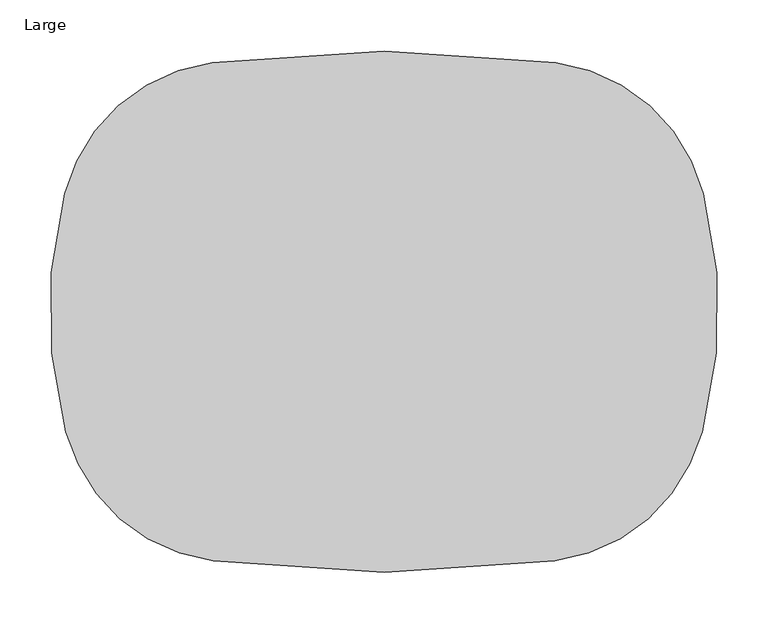
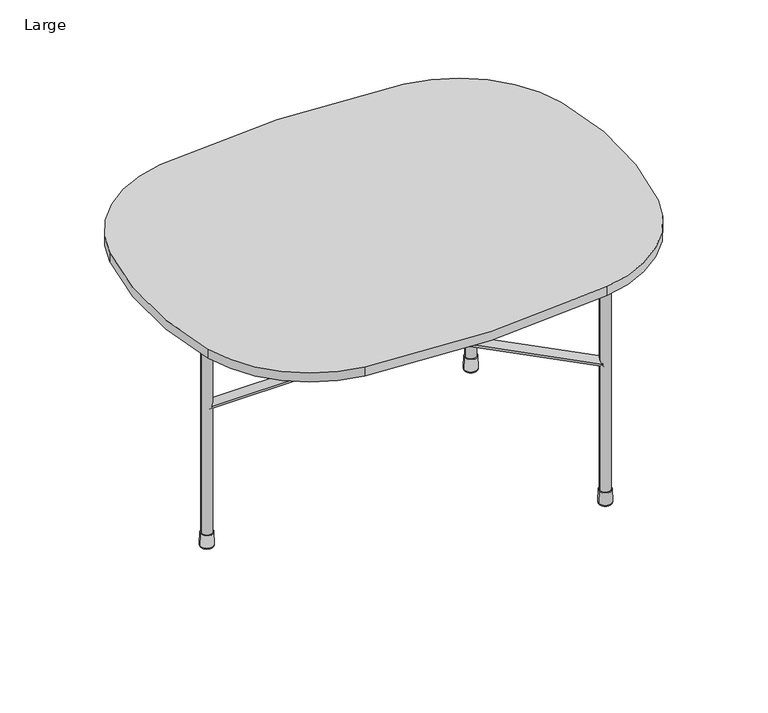
"""IFC4 building model written with IfcOpenShell, lengths in millimetres: furniture geometry, Large."""

import ifcopenshell
import ifcopenshell.guid

model = None  # the IFC model being written
_history = None  # IfcOwnerHistory: only IFC2X3 demands one
_inside = {}  # id of a spatial element -> (the spatial element, [elements in it])
_under = {}  # id of a project, library or spatial element -> (it, [spatial elements below it])
_declared = {}  # id of a project -> (the project, [libraries it declares])
_typed = {}  # id of a type object -> (the type object, [elements of that type])
_made_of = {}  # id of a material, layer set ... -> (it, [elements and type objects made of it])


def new_model(schema):
    """Start an empty IFC model of exactly this schema.

    Asked for "IFC4X3", IfcOpenShell would pick the latest addendum, in which some entities
    have other attributes; the version numbers below select the first issue.
    IFC2X3 requires an IfcOwnerHistory on every rooted entity: one is made here for all.
    """
    global model, _history
    if schema == "IFC4X3":
        model = ifcopenshell.file(schema_version=(4, 3, 0, 0))
    else:
        model = ifcopenshell.file(schema=schema)
    _inside.clear()
    _under.clear()
    _declared.clear()
    _typed.clear()
    _made_of.clear()
    _history = None
    if model.schema == "IFC2X3":
        org = make("IfcOrganization", Name="unknown")
        user = make(
            "IfcPersonAndOrganization",
            ThePerson=make("IfcPerson", FamilyName="unknown"),
            TheOrganization=org,
        )
        app = make(
            "IfcApplication",
            ApplicationDeveloper=org,
            Version="unknown",
            ApplicationFullName="unknown",
            ApplicationIdentifier="unknown",
        )
        _history = make(
            "IfcOwnerHistory",
            OwningUser=user,
            OwningApplication=app,
            ChangeAction="ADDED",
            CreationDate=0,
        )
    return model


def make(cls, **values):
    """One entity of the class cls with the attributes given. An attribute that is None is left unset."""
    return model.create_entity(
        cls, **{name: value for name, value in values.items() if value is not None}
    )


def rooted(cls, **values):
    """An entity with a GlobalId (a new one), such as an element, a storey or a relation."""
    return make(cls, GlobalId=ifcopenshell.guid.new(), OwnerHistory=_history, **values)


def si_unit(unit_type, name, prefix=None):
    """IfcSIUnit, for example si_unit("LENGTHUNIT", "METRE", prefix="MILLI")."""
    return make("IfcSIUnit", UnitType=unit_type, Prefix=prefix, Name=name)


def assignment(units):
    """IfcUnitAssignment: the units of a project."""
    return None if units is None else make("IfcUnitAssignment", Units=units)


def point(xyz):
    """IfcCartesianPoint."""
    return None if xyz is None else make("IfcCartesianPoint", Coordinates=xyz)


def direction(xyz):
    """IfcDirection."""
    return None if xyz is None else make("IfcDirection", DirectionRatios=xyz)


def frame(location, z_axis=None, x_axis=None):
    """IfcAxis2Placement3D, a coordinate frame: its origin and axes. An axis left out is left unset."""
    return make(
        "IfcAxis2Placement3D",
        Location=point(location),
        Axis=direction(z_axis),
        RefDirection=direction(x_axis),
    )


def frame_2d(location, x_axis=None):
    """IfcAxis2Placement2D, a coordinate frame in the plane: its origin and x axis."""
    return make(
        "IfcAxis2Placement2D", Location=point(location), RefDirection=direction(x_axis)
    )


def origin():
    """The frame at (0, 0, 0) with its axes left unset."""
    return frame((0.0, 0.0, 0.0))


def place(relative_to, where):
    """IfcLocalPlacement: puts the frame where relative to a parent placement (None: the world)."""
    return make(
        "IfcLocalPlacement", PlacementRelTo=relative_to, RelativePlacement=where
    )


def context(
    kind, dimensions, precision=None, world=None, true_north=None, identifier=None
):
    """IfcGeometricRepresentationContext, for example the 3D "Model" context."""
    return make(
        "IfcGeometricRepresentationContext",
        ContextIdentifier=identifier,
        ContextType=kind,
        CoordinateSpaceDimension=dimensions,
        Precision=precision,
        WorldCoordinateSystem=world,
        TrueNorth=true_north,
    )


def project(units=None, contexts=None):
    """IfcProject with its units and contexts."""
    return rooted(
        "IfcProject",
        Name="project",
        RepresentationContexts=contexts,
        UnitsInContext=assignment(units),
    )


def spatial(cls, under=None, at=None, **own):
    """A site, building, storey or space (cls), placed at a placement, below another one or the project."""
    s = rooted(cls, ObjectPlacement=at, **own)
    if under is not None:
        _under.setdefault(under.id(), (under, []))[1].append(s)
    return s


def polyline(points):
    """IfcPolyline through the points."""
    return make("IfcPolyline", Points=[point(p) for p in points])


def circle_curve(where, radius):
    """IfcCircle in the frame where."""
    return make("IfcCircle", Position=where, Radius=radius)


def ellipse_curve(where, semi_axis1, semi_axis2):
    """IfcEllipse in the frame where."""
    return make(
        "IfcEllipse", Position=where, SemiAxis1=semi_axis1, SemiAxis2=semi_axis2
    )


def trimmed(basis, trim1, trim2, sense, master):
    """IfcTrimmedCurve: the piece of a basis curve between two trims."""
    return make(
        "IfcTrimmedCurve",
        BasisCurve=basis,
        Trim1=trim1,
        Trim2=trim2,
        SenseAgreement=sense,
        MasterRepresentation=master,
    )


def segment(curve, same_sense, transition):
    """IfcCompositeCurveSegment."""
    return make(
        "IfcCompositeCurveSegment",
        Transition=transition,
        SameSense=same_sense,
        ParentCurve=curve,
    )


def composite_curve(segments, self_intersect=None):
    """IfcCompositeCurve: segments joined end to end."""
    return make("IfcCompositeCurve", Segments=segments, SelfIntersect=self_intersect)


def outline(outer, holes=None, kind="AREA"):
    """IfcArbitraryClosedProfileDef: a profile drawn as a closed curve; with holes, ...WithVoids."""
    if holes is None:
        return make("IfcArbitraryClosedProfileDef", ProfileType=kind, OuterCurve=outer)
    return make(
        "IfcArbitraryProfileDefWithVoids",
        ProfileType=kind,
        OuterCurve=outer,
        InnerCurves=holes,
    )


def extrude(swept, where, along, depth):
    """IfcExtrudedAreaSolid: the profile swept, set in the frame where, extruded along a direction by depth."""
    return make(
        "IfcExtrudedAreaSolid",
        SweptArea=swept,
        Position=where,
        ExtrudedDirection=direction(along),
        Depth=depth,
    )


def shape(context_of_items, identifier, shape_type, items):
    """IfcShapeRepresentation: the items that make up one representation, for example the "Body"."""
    return make(
        "IfcShapeRepresentation",
        ContextOfItems=context_of_items,
        RepresentationIdentifier=identifier,
        RepresentationType=shape_type,
        Items=items,
    )


def source(mapping_origin, context_of_items, identifier, shape_type, items):
    """IfcRepresentationMap: a shape defined once, which mapped items show again and again."""
    return make(
        "IfcRepresentationMap",
        MappingOrigin=mapping_origin,
        MappedRepresentation=shape(context_of_items, identifier, shape_type, items),
    )


def transform(
    local_origin,
    x_axis=None,
    y_axis=None,
    z_axis=None,
    scale=None,
    scale2=None,
    scale3=None,
    uniform=True,
):
    """IfcCartesianTransformationOperator3D, or its non-uniform kind. x_axis, y_axis, z_axis: its Axis1, 2, 3."""
    if uniform:
        return make(
            "IfcCartesianTransformationOperator3D",
            Axis1=direction(x_axis),
            Axis2=direction(y_axis),
            LocalOrigin=point(local_origin),
            Scale=scale,
            Axis3=direction(z_axis),
        )
    return make(
        "IfcCartesianTransformationOperator3DnonUniform",
        Axis1=direction(x_axis),
        Axis2=direction(y_axis),
        LocalOrigin=point(local_origin),
        Scale=scale,
        Axis3=direction(z_axis),
        Scale2=scale2,
        Scale3=scale3,
    )


def mapped(mapping_source, mapping_target):
    """IfcMappedItem: shows the shape of a source again, moved by a transform."""
    return make(
        "IfcMappedItem", MappingSource=mapping_source, MappingTarget=mapping_target
    )


def made_of(thing, what):
    """Note that an element or type object is made of a material, layer set ...; save() writes the relation."""
    if what is not None:
        _made_of.setdefault(what.id(), (what, []))[1].append(thing)
    return thing


def element(
    cls,
    number,
    at=None,
    inside=None,
    cuts=None,
    type_object=None,
    material=None,
    context=None,
    identifier="Body",
    shape_type=None,
    held_by="IfcProductDefinitionShape",
    body=None,
    shapes=None,
    **own,
):
    """One element of the class cls, such as IfcWall. Its Tag is "e" and its number.

    at: its placement. inside: the storey or other place that contains it. cuts: it is an
    opening in that element (IfcRelVoidsElement). A single representation is given by context,
    identifier, shape_type and body (its items); several are given by shapes. held_by: the class
    of the entity that holds the representations. save() writes the other relations.
    """
    e = rooted(cls, Tag="e%d" % number, ObjectPlacement=at, **own)
    if body is not None:
        shapes = [shape(context, identifier, shape_type, body)]
    if shapes is not None:
        e.Representation = make(held_by, Representations=shapes)
    if inside is not None:
        _inside.setdefault(inside.id(), (inside, []))[1].append(e)
    if cuts is not None:
        rooted(
            "IfcRelVoidsElement", RelatingBuildingElement=cuts, RelatedOpeningElement=e
        )
    if type_object is not None:
        _typed.setdefault(type_object.id(), (type_object, []))[1].append(e)
    return made_of(e, material)


def aggregate(whole, parts):
    """IfcRelAggregates: a whole, such as a stair, and the parts it consists of."""
    return rooted("IfcRelAggregates", RelatingObject=whole, RelatedObjects=parts)


def save(model, path):
    """Write the relations noted so far, then the file.

    IfcRelAggregates (storeys below a building ...), IfcRelContainedInSpatialStructure (elements
    in a storey), IfcRelDefinesByType, IfcRelAssociatesMaterial and IfcRelDeclares: one each for
    every whole, place, type object, material and project.
    """
    for whole, parts in _under.values():
        aggregate(whole, parts)
    for where, things in _inside.values():
        rooted(
            "IfcRelContainedInSpatialStructure",
            RelatedElements=things,
            RelatingStructure=where,
        )
    for kind, things in _typed.values():
        rooted("IfcRelDefinesByType", RelatedObjects=things, RelatingType=kind)
    for what, things in _made_of.values():
        rooted("IfcRelAssociatesMaterial", RelatedObjects=things, RelatingMaterial=what)
    for by, libraries in _declared.values():
        rooted("IfcRelDeclares", RelatingContext=by, RelatedDefinitions=libraries)
    model.write(path)


def plane_surface(at):
    """IfcPlane: the flat surface through the origin of the frame at, square to its z axis."""
    return make("IfcPlane", Position=at)


def revolved_surface(curve, axis_point, axis_direction):
    """IfcSurfaceOfRevolution: the curve turned about the line through axis_point along axis_direction."""
    return make(
        "IfcSurfaceOfRevolution",
        SweptCurve=make("IfcArbitraryOpenProfileDef", ProfileType="CURVE", Curve=curve),
        AxisPosition=make("IfcAxis1Placement", Location=point(axis_point), Axis=direction(axis_direction)),
    )


def advanced_brep(points, edges, surfaces, faces):
    """IfcAdvancedBrep: a solid bounded by faces that lie on surfaces and meet in shared edges.

    An edge is (start, end): straight between two places in points (the first is 0);
    or (start, end, curve); or (start, end, curve, False) where it runs against its curve.
    A face is (place in surfaces, loops), or (place, loops, False) where it looks against
    its surface's normal. A loop lists edges by number (the first is 1), with a minus sign
    where the edge is run from its end to its start. The first loop is the outer one.
    """
    corners = [point(p) for p in points]
    vertices = [make("IfcVertexPoint", VertexGeometry=c) for c in corners]
    made = []
    for start, end, *more in edges:
        made.append(
            make(
                "IfcEdgeCurve",
                EdgeStart=vertices[start],
                EdgeEnd=vertices[end],
                EdgeGeometry=more[0] if more else make("IfcPolyline", Points=[corners[start], corners[end]]),
                SameSense=more[1] if len(more) > 1 else True,
            )
        )
    hull = []
    for where, loops, *sense in faces:
        bounds = []
        for j, loop in enumerate(loops):
            ring = [make("IfcOrientedEdge", EdgeElement=made[abs(k) - 1], Orientation=k > 0) for k in loop]
            bounds.append(
                make(
                    "IfcFaceOuterBound" if j == 0 else "IfcFaceBound",
                    Bound=make("IfcEdgeLoop", EdgeList=ring),
                    Orientation=True,
                )
            )
        hull.append(make("IfcAdvancedFace", Bounds=bounds, FaceSurface=surfaces[where], SameSense=sense[0] if sense else True))
    return make("IfcAdvancedBrep", Outer=make("IfcClosedShell", CfsFaces=hull))


def large_77c42a20(model_context):
    return source(origin(), model_context, "Body", "SolidModel", [
        extrude(outline(composite_curve([segment(trimmed(circle_curve(frame_2d((0.0, -6.0959999)), 6.096), [point((0.0, -12.192))], [point((0.0, 0.0))], False, "CARTESIAN"), True, "CONTINUOUS"), segment(trimmed(circle_curve(frame_2d((0.0, -6.0959999)), 6.096), [point((0.0, 0.0))], [point((0.0, -12.192))], False, "CARTESIAN"), True, "CONTINUOUS")], self_intersect=False)), frame((-154.6494068, 182.428328, 356.9379709), z_axis=(-0.7099319498588516, 0.7042702794876475, 0.0), x_axis=(0.0, 0.0, -1.0)), (0.0, 0.0, 1.0), 225.8164817),
        extrude(outline(composite_curve([segment(trimmed(circle_curve(frame_2d((0.0, -6.096)), 6.096), [point((0.0, -12.1919999))], [point((0.0, 0.0))], False, "CARTESIAN"), True, "CONTINUOUS"), segment(trimmed(circle_curve(frame_2d((0.0, -6.096)), 6.096), [point((0.0, 0.0))], [point((0.0, -12.1919999))], False, "CARTESIAN"), True, "CONTINUOUS")], self_intersect=False)), frame((-314.9637419, 350.119655, 356.9379709), z_axis=(0.709931949858855, 0.7042702794876441, 0.0), x_axis=(0.0, 0.0, -1.0)), (0.0, 0.0, 1.0), 225.8164817),
        extrude(outline(composite_curve([segment(trimmed(circle_curve(frame_2d((345.7919098, 356.9379709)), 6.096), [point((339.6959098, 356.9379709))], [point((351.8879098, 356.9379709))], False, "CARTESIAN"), True, "CONTINUOUS"), segment(trimmed(circle_curve(frame_2d((345.7919098, 356.9379709)), 6.096), [point((351.8879098, 356.9379709))], [point((339.6959098, 356.9379709))], False, "CARTESIAN"), True, "CONTINUOUS")], self_intersect=False)), frame((-602.4339083, 0.0, 0.0), z_axis=(1.0, 0.0, 0.0), x_axis=(0.0, 1.0, 0.0)), (0.0, 0.0, 1.0), 291.7633979),
        extrude(outline(composite_curve([segment(trimmed(circle_curve(frame_2d((-216.5277238, 418.264831)), 171.45), [point((-193.9272614, 588.2187117))], [point((-50.4262679, 460.7549338))], False, "CARTESIAN"), True, "CONTINUOUS"), segment(trimmed(circle_curve(frame_2d((-494.1366746, 347.2502043)), 457.998088), [point((-50.4262679, 460.7549338))], [point((-51.6896983, 228.9162627))], False, "CARTESIAN"), True, "CONTINUOUS"), segment(trimmed(circle_curve(frame_2d((-217.3181934, 273.2141644)), 171.45), [point((-51.6896983, 228.9162627))], [point((-194.8412676, 103.2439014))], False, "CARTESIAN"), True, "CONTINUOUS"), segment(trimmed(circle_curve(frame_2d((-361.1405421, 1360.7971636)), 1268.5013425), [point((-194.8412676, 103.2439014))], [point((-527.423913, 103.2417984))], False, "CARTESIAN"), True, "CONTINUOUS"), segment(trimmed(circle_curve(frame_2d((-504.9491367, 273.2123457)), 171.45), [point((-527.423913, 103.2417984))], [point((-670.5773408, 228.9133557))], False, "CARTESIAN"), True, "CONTINUOUS"), segment(trimmed(circle_curve(frame_2d((-228.1311419, 347.2502043)), 457.998088), [point((-670.5773408, 228.9133557))], [point((-671.8408019, 460.7578529))], False, "CARTESIAN"), True, "CONTINUOUS"), segment(trimmed(circle_curve(frame_2d((-505.7396255, 418.2666573)), 171.45), [point((-671.8408019, 460.7578529))], [point((-528.3379414, 588.2208235))], False, "CARTESIAN"), True, "CONTINUOUS"), segment(trimmed(circle_curve(frame_2d((-361.1405421, -669.2133439)), 1268.5013425), [point((-528.3379414, 588.2208235))], [point((-193.9272614, 588.2187117))], False, "CARTESIAN"), True, "CONTINUOUS")], self_intersect=False)), frame((0.0, 0.0, 366.9110413), z_axis=(0.0, 0.0, 1.0), x_axis=(1.0, 0.0, 0.0)), (0.0, 0.0, 1.0), 13.0690353),
        extrude(outline(composite_curve([segment(trimmed(circle_curve(frame_2d((0.0, -6.0959999)), 6.096), [point((0.0, -12.192))], [point((0.0, 0.0))], False, "CARTESIAN"), True, "CONTINUOUS"), segment(trimmed(circle_curve(frame_2d((0.0, -6.0959999)), 6.096), [point((0.0, 0.0))], [point((0.0, -12.192))], False, "CARTESIAN"), True, "CONTINUOUS")], self_intersect=False)), frame((-154.6494068, 182.428328, 204.9348459), z_axis=(-0.7099319498588516, 0.7042702794876475, 0.0), x_axis=(0.0, 0.0, -1.0)), (0.0, 0.0, 1.0), 225.8164817),
        extrude(outline(composite_curve([segment(trimmed(circle_curve(frame_2d((0.0, -6.096)), 6.096), [point((0.0, -12.1919999))], [point((0.0, 0.0))], False, "CARTESIAN"), True, "CONTINUOUS"), segment(trimmed(circle_curve(frame_2d((0.0, -6.096)), 6.096), [point((0.0, 0.0))], [point((0.0, -12.1919999))], False, "CARTESIAN"), True, "CONTINUOUS")], self_intersect=False)), frame((-314.9637419, 350.119655, 204.9348459), z_axis=(0.709931949858855, 0.7042702794876441, 0.0), x_axis=(0.0, 0.0, -1.0)), (0.0, 0.0, 1.0), 225.8164817),
        advanced_brep(
        [(-157.9499632, 185.8819289, 20.0586395), (-141.000044, 185.8819289, 20.0586395), (-140.5008879, 185.8819289, 2.6126435), (-158.4491193, 185.8819289, 2.6126435), (-143.0398488, 185.8819289, 0.0), (-155.9101583, 185.8819289, 0.0), (-149.4750036, 185.8819289, 0.0), (-149.4750036, 185.8819289, 20.0586395)],
        [
            (0, 1, circle_curve(frame((-149.4750036, 185.8819289, 20.0586395), z_axis=(0.0, 0.0, -1.0), x_axis=(1.0, 0.0, 0.0)), 8.4749596)),
            (1, 2),
            (2, 3, circle_curve(frame((-149.4750036, 185.8819289, 2.6126435), z_axis=(0.0, 0.0, 1.0), x_axis=(1.0, 0.0, 0.0)), 8.9741157)),
            (3, 0),
            (1, 0, circle_curve(frame((-149.4750036, 185.8819289, 20.0586395), z_axis=(0.0, 0.0, -1.0), x_axis=(1.0, 0.0, 0.0)), 8.4749596)),
            (3, 2, circle_curve(frame((-149.4750036, 185.8819289, 2.6126435), z_axis=(0.0, 0.0, 1.0), x_axis=(1.0, 0.0, 0.0)), 8.9741157)),
            (2, 4, circle_curve(frame((-143.0398488, 185.8819289, 2.54), z_axis=(0.0, 1.0, 0.0), x_axis=(-1.0, 0.0, 0.0)), 2.54)),
            (4, 5, circle_curve(frame((-149.4750036, 185.8819289, 0.0), z_axis=(0.0, 0.0, 1.0), x_axis=(1.0, 0.0, 0.0)), 6.4351547)),
            (5, 3, circle_curve(frame((-155.9101583, 185.8819289, 2.54), z_axis=(0.0, 1.0, 0.0), x_axis=(1.0, 0.0, 0.0)), 2.54)),
            (5, 4, circle_curve(frame((-149.4750036, 185.8819289, 0.0), z_axis=(0.0, 0.0, 1.0), x_axis=(1.0, 0.0, 0.0)), 6.4351547)),
            (4, 6),
            (6, 5),
            (7, 1),
            (0, 7),
        ],
        [
            revolved_surface(polyline([(-140.5008879, 185.8819289, 2.6126435), (-141.000044, 185.8819289, 20.0586395)]), (-149.4750036, 185.8819289, -3.411694), (0.0, 0.0, 1.0)),
            revolved_surface(trimmed(ellipse_curve(frame((-143.0398488, 185.8819289, 2.54), z_axis=(0.0, -1.0, 0.0), x_axis=(-1.0, 0.0, 0.0)), 2.54, 2.54), [point((-143.0398488, 185.8819289, 0.0))], [point((-140.5008879, 185.8819289, 2.6126435))], True, "CARTESIAN"), (-149.4750036, 185.8819289, -3.411694), (0.0, 0.0, 1.0)),
            plane_surface(frame((-149.4750036, 185.8819289, 0.0), z_axis=(0.0, 0.0, -1.0), x_axis=(1.0, 0.0, 0.0))),
            plane_surface(frame((-149.4750036, 185.8819289, 20.0586395), z_axis=(0.0, 0.0, 1.0), x_axis=(1.0, 0.0, 0.0))),
        ],
        [
            (0, [[1, 2, 3, 4]]),
            (0, [[5, -4, 6, -2]]),
            (1, [[-3, 7, 8, 9]]),
            (1, [[-6, -9, 10, -7]]),
            (2, [[-8, 11, 12]]),
            (2, [[-10, -12, -11]]),
            (3, [[13, -1, 14]]),
            (3, [[-14, -5, -13]]),
        ],
    ),
        extrude(outline(composite_curve([segment(trimmed(circle_curve(frame_2d((345.7919098, 204.9348459)), 6.096), [point((339.6959098, 204.9348459))], [point((351.8879098, 204.9348459))], False, "CARTESIAN"), True, "CONTINUOUS"), segment(trimmed(circle_curve(frame_2d((345.7919098, 204.9348459)), 6.096), [point((351.8879098, 204.9348459))], [point((339.6959098, 204.9348459))], False, "CARTESIAN"), True, "CONTINUOUS")], self_intersect=False)), frame((-602.4339083, 0.0, 0.0), z_axis=(1.0, 0.0, 0.0), x_axis=(0.0, 1.0, 0.0)), (0.0, 0.0, 1.0), 291.7633979),
        extrude(outline(composite_curve([segment(trimmed(circle_curve(frame_2d((-604.4980264, 345.7919098)), 20.2041223), [point((-624.7021487, 345.7919098))], [point((-584.2939041, 345.7919098))], False, "CARTESIAN"), True, "CONTINUOUS"), segment(trimmed(circle_curve(frame_2d((-604.4980264, 345.7919098)), 20.2041223), [point((-584.2939041, 345.7919098))], [point((-624.7021487, 345.7919098))], False, "CARTESIAN"), True, "CONTINUOUS")], self_intersect=False)), frame((0.0, 0.0, 364.1671143), z_axis=(0.0, 0.0, 1.0), x_axis=(1.0, 0.0, 0.0)), (0.0, 0.0, 1.0), 2.743927),
        extrude(outline(composite_curve([segment(trimmed(circle_curve(frame_2d((-149.4750036, 505.7018908)), 20.2041223), [point((-169.6791259, 505.7018908))], [point((-129.2708813, 505.7018908))], False, "CARTESIAN"), True, "CONTINUOUS"), segment(trimmed(circle_curve(frame_2d((-149.4750036, 505.7018908)), 20.2041223), [point((-129.2708813, 505.7018908))], [point((-169.6791259, 505.7018908))], False, "CARTESIAN"), True, "CONTINUOUS")], self_intersect=False)), frame((0.0, 0.0, 364.1671143), z_axis=(0.0, 0.0, 1.0), x_axis=(1.0, 0.0, 0.0)), (0.0, 0.0, 1.0), 2.743927),
        extrude(outline(composite_curve([segment(trimmed(circle_curve(frame_2d((-149.4750036, 185.8819289)), 20.2041223), [point((-169.6791259, 185.8819289))], [point((-129.2708813, 185.8819289))], False, "CARTESIAN"), True, "CONTINUOUS"), segment(trimmed(circle_curve(frame_2d((-149.4750036, 185.8819289)), 20.2041223), [point((-129.2708813, 185.8819289))], [point((-169.6791259, 185.8819289))], False, "CARTESIAN"), True, "CONTINUOUS")], self_intersect=False)), frame((0.0, 0.0, 364.1671143), z_axis=(0.0, 0.0, 1.0), x_axis=(1.0, 0.0, 0.0)), (0.0, 0.0, 1.0), 2.743927),
        advanced_brep(
        [(-158.4491193, 505.7018908, 2.6126435), (-140.5008879, 505.7018908, 2.6126435), (-141.000044, 505.7018908, 20.0586395), (-157.9499632, 505.7018908, 20.0586395), (-155.9101583, 505.7018908, 0.0), (-143.0398488, 505.7018908, 0.0), (-149.4750036, 505.7018908, 0.0), (-149.4750036, 505.7018908, 20.0586395)],
        [
            (0, 1, circle_curve(frame((-149.4750036, 505.7018908, 2.6126435), z_axis=(0.0, 0.0, 1.0), x_axis=(1.0, 0.0, 0.0)), 8.9741157)),
            (1, 2),
            (2, 3, circle_curve(frame((-149.4750036, 505.7018908, 20.0586395), z_axis=(0.0, 0.0, -1.0), x_axis=(1.0, 0.0, 0.0)), 8.4749596)),
            (3, 0),
            (1, 0, circle_curve(frame((-149.4750036, 505.7018908, 2.6126435), z_axis=(0.0, 0.0, 1.0), x_axis=(1.0, 0.0, 0.0)), 8.9741157)),
            (3, 2, circle_curve(frame((-149.4750036, 505.7018908, 20.0586395), z_axis=(0.0, 0.0, -1.0), x_axis=(1.0, 0.0, 0.0)), 8.4749596)),
            (4, 5, circle_curve(frame((-149.4750036, 505.7018908, 0.0), z_axis=(0.0, 0.0, 1.0), x_axis=(1.0, 0.0, 0.0)), 6.4351547)),
            (5, 1, circle_curve(frame((-143.0398488, 505.7018908, 2.54), z_axis=(0.0, -1.0, 0.0), x_axis=(-1.0, 0.0, 0.0)), 2.54)),
            (0, 4, circle_curve(frame((-155.9101583, 505.7018908, 2.54), z_axis=(0.0, -1.0, 0.0), x_axis=(1.0, 0.0, 0.0)), 2.54)),
            (5, 4, circle_curve(frame((-149.4750036, 505.7018908, 0.0), z_axis=(0.0, 0.0, 1.0), x_axis=(1.0, 0.0, 0.0)), 6.4351547)),
            (6, 5),
            (4, 6),
            (2, 7),
            (7, 3),
        ],
        [
            revolved_surface(polyline([(-141.000044, 505.7018908, 20.0586395), (-140.5008879, 505.7018908, 2.6126435)]), (-149.4750036, 505.7018908, -3.411694), (0.0, 0.0, -1.0)),
            revolved_surface(trimmed(ellipse_curve(frame((-143.0398488, 505.7018908, 2.54), z_axis=(0.0, 1.0, 0.0), x_axis=(-1.0, 0.0, 0.0)), 2.54, 2.54), [point((-140.5008879, 505.7018908, 2.6126435))], [point((-143.0398488, 505.7018908, 0.0))], True, "CARTESIAN"), (-149.4750036, 505.7018908, -3.411694), (0.0, 0.0, -1.0)),
            plane_surface(frame((-149.4750036, 505.7018908, 0.0), z_axis=(0.0, 0.0, -1.0), x_axis=(1.0, 0.0, 0.0))),
            plane_surface(frame((-149.4750036, 505.7018908, 20.0586395), z_axis=(0.0, 0.0, 1.0), x_axis=(1.0, 0.0, 0.0))),
        ],
        [
            (0, [[1, 2, 3, 4]]),
            (0, [[5, -4, 6, -2]]),
            (1, [[7, 8, -1, 9]]),
            (1, [[10, -9, -5, -8]]),
            (2, [[11, -7, 12]]),
            (2, [[-12, -10, -11]]),
            (3, [[-3, 13, 14]]),
            (3, [[-6, -14, -13]]),
        ],
    ),
        advanced_brep(
        [(-613.4721422, 345.7919098, 2.6126435), (-595.5239107, 345.7919098, 2.6126435), (-596.0230668, 345.7919098, 20.0586395), (-612.9729861, 345.7919098, 20.0586395), (-610.9331812, 345.7919098, 0.0), (-598.0628717, 345.7919098, 0.0), (-604.4980264, 345.7919098, 0.0), (-604.4980264, 345.7919098, 20.0586395)],
        [
            (0, 1, circle_curve(frame((-604.4980264, 345.7919098, 2.6126435), z_axis=(0.0, 0.0, 1.0), x_axis=(1.0, 0.0, 0.0)), 8.9741157)),
            (1, 2),
            (2, 3, circle_curve(frame((-604.4980264, 345.7919098, 20.0586395), z_axis=(0.0, 0.0, -1.0), x_axis=(1.0, 0.0, 0.0)), 8.4749596)),
            (3, 0),
            (1, 0, circle_curve(frame((-604.4980264, 345.7919098, 2.6126435), z_axis=(0.0, 0.0, 1.0), x_axis=(1.0, 0.0, 0.0)), 8.9741157)),
            (3, 2, circle_curve(frame((-604.4980264, 345.7919098, 20.0586395), z_axis=(0.0, 0.0, -1.0), x_axis=(1.0, 0.0, 0.0)), 8.4749596)),
            (4, 5, circle_curve(frame((-604.4980264, 345.7919098, 0.0), z_axis=(0.0, 0.0, 1.0), x_axis=(1.0, 0.0, 0.0)), 6.4351547)),
            (5, 1, circle_curve(frame((-598.0628717, 345.7919098, 2.54), z_axis=(0.0, -1.0, 0.0), x_axis=(-1.0, 0.0, 0.0)), 2.54)),
            (0, 4, circle_curve(frame((-610.9331812, 345.7919098, 2.54), z_axis=(0.0, -1.0, 0.0), x_axis=(1.0, 0.0, 0.0)), 2.54)),
            (5, 4, circle_curve(frame((-604.4980264, 345.7919098, 0.0), z_axis=(0.0, 0.0, 1.0), x_axis=(1.0, 0.0, 0.0)), 6.4351547)),
            (6, 5),
            (4, 6),
            (2, 7),
            (7, 3),
        ],
        [
            revolved_surface(polyline([(-596.0230668, 345.7919098, 20.0586395), (-595.5239107, 345.7919098, 2.6126435)]), (-604.4980264, 345.7919098, -3.411694), (0.0, 0.0, -1.0)),
            revolved_surface(trimmed(ellipse_curve(frame((-598.0628717, 345.7919098, 2.54), z_axis=(0.0, 1.0, 0.0), x_axis=(-1.0, 0.0, 0.0)), 2.54, 2.54), [point((-595.5239107, 345.7919098, 2.6126435))], [point((-598.0628717, 345.7919098, 0.0))], True, "CARTESIAN"), (-604.4980264, 345.7919098, -3.411694), (0.0, 0.0, -1.0)),
            plane_surface(frame((-604.4980264, 345.7919098, 0.0), z_axis=(0.0, 0.0, -1.0), x_axis=(1.0, 0.0, 0.0))),
            plane_surface(frame((-604.4980264, 345.7919098, 20.0586395), z_axis=(0.0, 0.0, 1.0), x_axis=(1.0, 0.0, 0.0))),
        ],
        [
            (0, [[1, 2, 3, 4]]),
            (0, [[5, -4, 6, -2]]),
            (1, [[7, 8, -1, 9]]),
            (1, [[10, -9, -5, -8]]),
            (2, [[11, -7, 12]]),
            (2, [[-12, -10, -11]]),
            (3, [[-3, 13, 14]]),
            (3, [[-6, -14, -13]]),
        ],
    ),
        extrude(outline(composite_curve([segment(trimmed(circle_curve(frame_2d((-149.4750036, 505.7018908)), 7.1082153), [point((-156.5832189, 505.7018908))], [point((-142.3667883, 505.7018908))], False, "CARTESIAN"), True, "CONTINUOUS"), segment(trimmed(circle_curve(frame_2d((-149.4750036, 505.7018908)), 7.1082153), [point((-142.3667883, 505.7018908))], [point((-156.5832189, 505.7018908))], False, "CARTESIAN"), True, "CONTINUOUS")], self_intersect=False)), frame((0.0, 0.0, 7.6085052), z_axis=(0.0, 0.0, 1.0), x_axis=(1.0, 0.0, 0.0)), (0.0, 0.0, 1.0), 356.558609),
        extrude(outline(composite_curve([segment(trimmed(circle_curve(frame_2d((-149.4750036, 185.8819289)), 7.1082153), [point((-156.5832189, 185.8819289))], [point((-142.3667883, 185.8819289))], False, "CARTESIAN"), True, "CONTINUOUS"), segment(trimmed(circle_curve(frame_2d((-149.4750036, 185.8819289)), 7.1082153), [point((-142.3667883, 185.8819289))], [point((-156.5832189, 185.8819289))], False, "CARTESIAN"), True, "CONTINUOUS")], self_intersect=False)), frame((0.0, 0.0, 7.6085052), z_axis=(0.0, 0.0, 1.0), x_axis=(1.0, 0.0, 0.0)), (0.0, 0.0, 1.0), 356.558609),
        extrude(outline(composite_curve([segment(trimmed(circle_curve(frame_2d((-604.4980264, 345.7919098)), 7.1082153), [point((-611.6062418, 345.7919098))], [point((-597.3898111, 345.7919098))], False, "CARTESIAN"), True, "CONTINUOUS"), segment(trimmed(circle_curve(frame_2d((-604.4980264, 345.7919098)), 7.1082153), [point((-597.3898111, 345.7919098))], [point((-611.6062418, 345.7919098))], False, "CARTESIAN"), True, "CONTINUOUS")], self_intersect=False)), frame((0.0, 0.0, 7.6085052), z_axis=(0.0, 0.0, 1.0), x_axis=(1.0, 0.0, 0.0)), (0.0, 0.0, 1.0), 356.558609),
    ])


if __name__ == "__main__":
    model = new_model("IFC4")
    model_context = context("Model", 3, world=origin())
    ifc_project = project(units=[si_unit("LENGTHUNIT", "METRE", prefix="MILLI")], contexts=[model_context])
    site = spatial("IfcSite", under=ifc_project)
    building = spatial("IfcBuilding", under=site)
    placement = place(None, origin())
    large_shape = large_77c42a20(model_context)
    element("IfcFurniture", 1, ObjectType="Large", at=placement, inside=building, context=model_context, shape_type="MappedRepresentation", body=[
        mapped(large_shape, transform((0.0, 0.0, 0.0), x_axis=(1.0, 0.0, 0.0), y_axis=(0.0, 1.0, 0.0), z_axis=(0.0, 0.0, 1.0))),
    ])
    save(model, "model.ifc")
